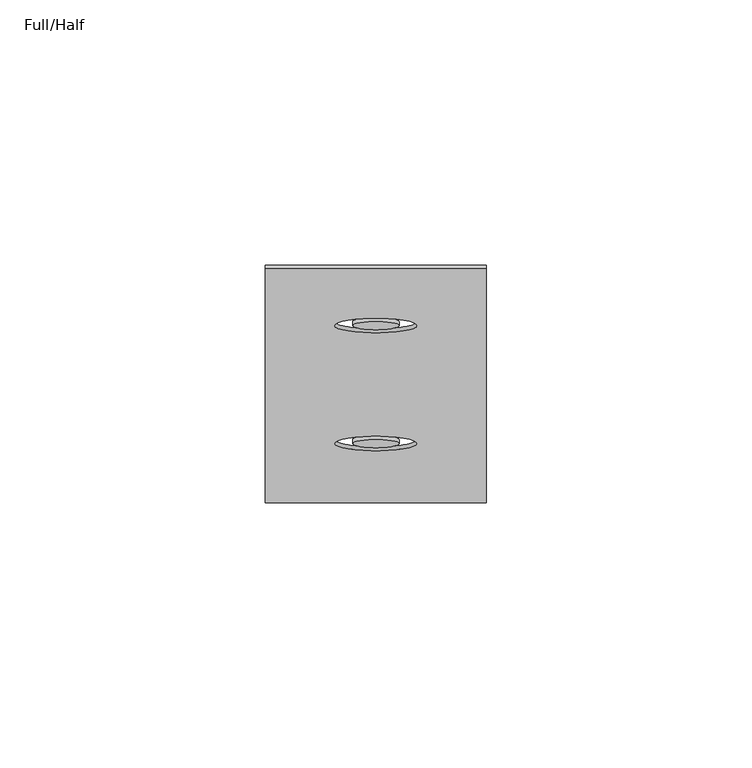
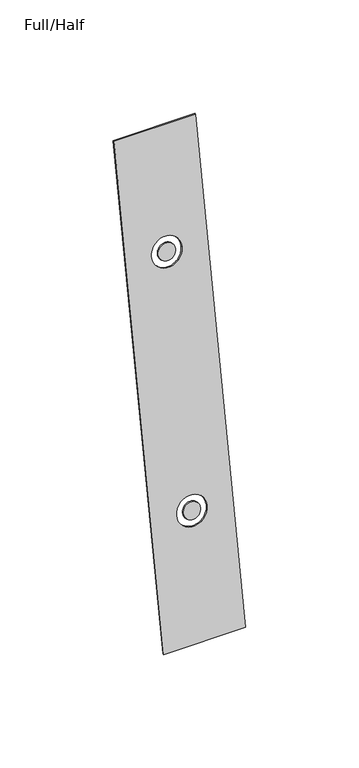
"""IFC4 building model written with IfcOpenShell, lengths in millimetres: furniture geometry, Full/Half."""

from ifc_helpers import new_model, si_unit, point, frame, frame_2d, origin, place, context, project, spatial, polyline, circle_curve, trimmed, segment, composite_curve, outline, extrude, source, transform, mapped, element, save


def full_half_8ba35e3a(model_context):
    return source(origin(), model_context, "Body", "SweptSolid", [
        extrude(outline(polyline([(41.7834961, 0.0), (41.7834961, -253.9999999), (0.0, -253.9999999), (0.0, 0.0), (41.7834961, 0.0)]), holes=[composite_curve([segment(trimmed(circle_curve(frame_2d((20.8958691, -61.4696537)), 7.7534661), [point((13.142403, -61.4696537))], [point((28.6493353, -61.4696537))], True, "CARTESIAN"), True, "CONTINUOUS"), segment(trimmed(circle_curve(frame_2d((20.8958691, -61.4696537)), 7.7534661), [point((28.6493353, -61.4696537))], [point((13.142403, -61.4696537))], True, "CARTESIAN"), True, "CONTINUOUS")], self_intersect=False), composite_curve([segment(trimmed(circle_curve(frame_2d((20.8958905, -189.4960628)), 7.7534661), [point((13.1424244, -189.4960628))], [point((28.6493566, -189.4960628))], True, "CARTESIAN"), True, "CONTINUOUS"), segment(trimmed(circle_curve(frame_2d((20.8958905, -189.4960628)), 7.7534661), [point((28.6493566, -189.4960628))], [point((13.1424244, -189.4960628))], True, "CARTESIAN"), True, "CONTINUOUS")], self_intersect=False)]), frame((3.6659394, 111.8826558, 460.0282657), z_axis=(0.0, -0.9848113970932373, 0.17362750978824254), x_axis=(1.0, 0.0, 0.0)), (0.0, 0.0, 1.0), 0.7594233),
        extrude(outline(composite_curve([segment(trimmed(circle_curve(frame_2d((20.8958691, -61.4696537)), 4.3853305), [point((16.5105386, -61.4696537))], [point((25.2811997, -61.4696537))], False, "CARTESIAN"), True, "CONTINUOUS"), segment(trimmed(circle_curve(frame_2d((20.8958691, -61.4696537)), 4.3853305), [point((25.2811997, -61.4696537))], [point((16.5105386, -61.4696537))], False, "CARTESIAN"), True, "CONTINUOUS")], self_intersect=False)), frame((3.6659394, 111.8826558, 460.0282657), z_axis=(0.0, -0.9848113970932373, 0.17362750978824254), x_axis=(1.0, 0.0, 0.0)), (0.0, 0.0, 1.0), 0.7594233),
        extrude(outline(composite_curve([segment(trimmed(circle_curve(frame_2d((20.8958905, -189.4960628)), 4.3853305), [point((16.51056, -189.4960628))], [point((25.281221, -189.4960628))], False, "CARTESIAN"), True, "CONTINUOUS"), segment(trimmed(circle_curve(frame_2d((20.8958905, -189.4960628)), 4.3853305), [point((25.281221, -189.4960628))], [point((16.51056, -189.4960628))], False, "CARTESIAN"), True, "CONTINUOUS")], self_intersect=False)), frame((3.6659394, 111.8826558, 460.0282657), z_axis=(0.0, -0.9848113970932373, 0.17362750978824254), x_axis=(1.0, 0.0, 0.0)), (0.0, 0.0, 1.0), 0.7594233),
    ])


if __name__ == "__main__":
    model = new_model("IFC4")
    model_context = context("Model", 3, world=origin())
    ifc_project = project(units=[si_unit("LENGTHUNIT", "METRE", prefix="MILLI")], contexts=[model_context])
    site = spatial("IfcSite", under=ifc_project)
    building = spatial("IfcBuilding", under=site)
    placement = place(None, origin())
    full_half_shape = full_half_8ba35e3a(model_context)
    element("IfcFurniture", 1, ObjectType="Full/Half", at=placement, inside=building, context=model_context, shape_type="MappedRepresentation", body=[
        mapped(full_half_shape, transform((0.0, 0.0, 0.0), x_axis=(1.0, 0.0, 0.0), y_axis=(0.0, 1.0, 0.0), z_axis=(0.0, 0.0, 1.0))),
    ])
    save(model, "model.ifc")
